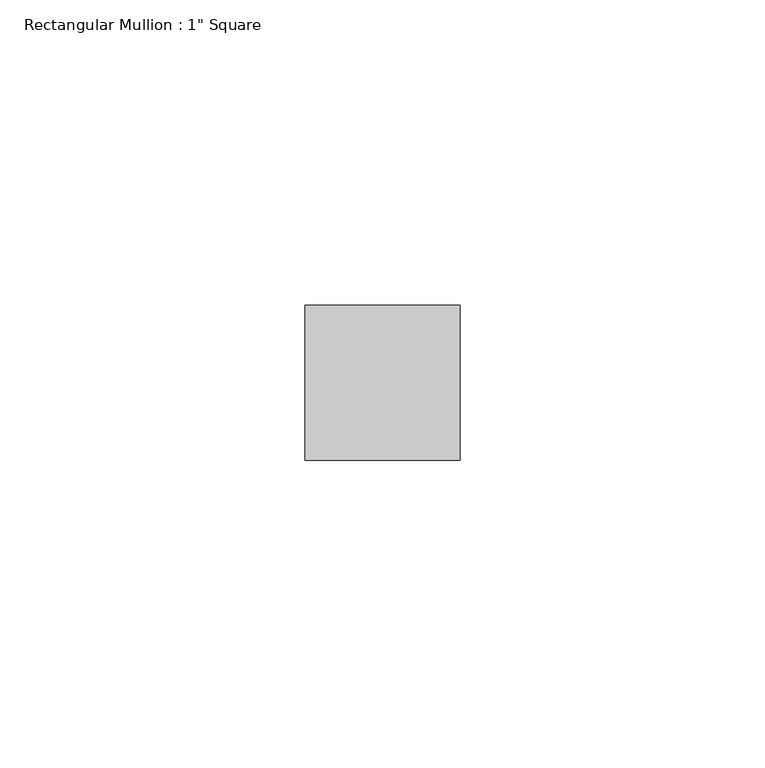
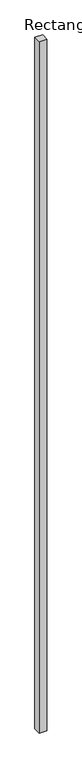
"""IFC4 building model written with IfcOpenShell, lengths in millimetres: member geometry."""

from ifc_helpers import new_model, si_unit, frame, origin, place, context, project, spatial, polyline, outline, extrude, source, transform, mapped, element, save


def member_f92d9b35(model_context):
    return source(origin(), model_context, "Body", "SweptSolid", [
        extrude(outline(polyline([(0.0, 12.7), (0.0, -12.7), (-25.4, -12.7), (-25.4, 12.7), (0.0, 12.7)])), frame((0.0, 0.0, -2438.4), z_axis=(0.0, 0.0, 1.0), x_axis=(1.0, 0.0, 0.0)), (0.0, 0.0, 1.0), 2438.4),
    ])


if __name__ == "__main__":
    model = new_model("IFC4")
    model_context = context("Model", 3, world=origin())
    ifc_project = project(units=[si_unit("LENGTHUNIT", "METRE", prefix="MILLI")], contexts=[model_context])
    site = spatial("IfcSite", under=ifc_project)
    building = spatial("IfcBuilding", under=site)
    placement = place(None, origin())
    member_shape = member_f92d9b35(model_context)
    element("IfcMember", 1, ObjectType="Rectangular Mullion : 1\" Square", at=placement, inside=building, context=model_context, shape_type="MappedRepresentation", body=[
        mapped(member_shape, transform((0.0, 0.0, 0.0), x_axis=(1.0, 0.0, 0.0), y_axis=(0.0, 1.0, 0.0), z_axis=(0.0, 0.0, 1.0))),
    ])
    save(model, "model.ifc")
